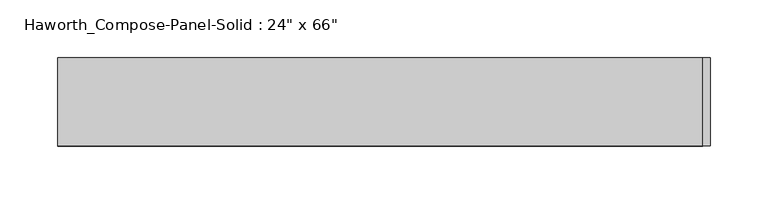
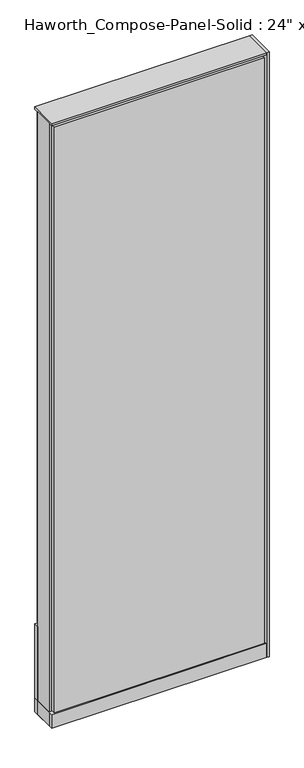
"""IFC4 building model written with IfcOpenShell, lengths in millimetres: furniture geometry."""

from ifc_helpers import new_model, si_unit, point, frame, frame_2d, origin, origin_with_axes, place, context, project, spatial, polyline, circle_curve, trimmed, segment, composite_curve, outline, extrude, source, transform, mapped, element, save


def furniture_7223b618(model_context):
    return source(origin(), model_context, "Body", "SweptSolid", [
        extrude(outline(composite_curve([segment(trimmed(circle_curve(frame_2d((-200.7597098, 0.0)), 12.7), [point((-213.4597098, 0.0))], [point((-188.0597098, 0.0))], False, "CARTESIAN"), True, "CONTINUOUS"), segment(trimmed(circle_curve(frame_2d((-200.7597098, 0.0)), 12.7), [point((-188.0597098, 0.0))], [point((-213.4597098, 0.0))], False, "CARTESIAN"), True, "CONTINUOUS")], self_intersect=False)), origin_with_axes(), (0.0, 0.0, 1.0), 12.7),
        extrude(outline(composite_curve([segment(trimmed(circle_curve(frame_2d((205.6402902, 0.0)), 12.7), [point((192.9402902, 0.0))], [point((218.3402902, 0.0))], False, "CARTESIAN"), True, "CONTINUOUS"), segment(trimmed(circle_curve(frame_2d((205.6402902, 0.0)), 12.7), [point((218.3402902, 0.0))], [point((192.9402902, 0.0))], False, "CARTESIAN"), True, "CONTINUOUS")], self_intersect=False)), origin_with_axes(), (0.0, 0.0, 1.0), 12.7),
        extrude(outline(polyline([(288.1902902, 38.1), (288.1902902, -38.1), (281.8402902, -38.1), (281.8402902, 38.1), (288.1902902, 38.1)])), frame((0.0, 0.0, 12.7), z_axis=(0.0, 0.0, 1.0), x_axis=(1.0, 0.0, 0.0)), (0.0, 0.0, 1.0), 1663.7),
        extrude(outline(polyline([(275.4902902, 38.1), (275.4902902, 25.4), (-270.6097098, 25.4), (-270.6097098, 38.1), (275.4902902, 38.1)])), frame((0.0, 0.0, 257.175), z_axis=(0.0, 0.0, 1.0), x_axis=(1.0, 0.0, 0.0)), (0.0, 0.0, 1.0), 1406.525),
        extrude(outline(polyline([(281.8402902, 38.1), (281.8402902, 25.4), (-276.9597098, 25.4), (-276.9597098, 38.1), (281.8402902, 38.1)])), frame((0.0, 0.0, 50.8), z_axis=(0.0, 0.0, 1.0), x_axis=(1.0, 0.0, 0.0)), (0.0, 0.0, 1.0), 203.2),
        extrude(outline(polyline([(275.4902902, -38.1), (-270.6097098, -38.1), (-270.6097098, -25.4), (275.4902902, -25.4), (275.4902902, -38.1)])), frame((0.0, 0.0, 53.975), z_axis=(0.0, 0.0, 1.0), x_axis=(1.0, 0.0, 0.0)), (0.0, 0.0, 1.0), 1609.725),
        extrude(outline(polyline([(281.8402902, 25.4), (281.8402902, -25.4), (-276.9597098, -25.4), (-276.9597098, 25.4), (281.8402902, 25.4)])), frame((0.0, 0.0, 12.7), z_axis=(0.0, 0.0, 1.0), x_axis=(1.0, 0.0, 0.0)), (0.0, 0.0, 1.0), 1657.35),
        extrude(outline(polyline([(-276.9597098, -38.1), (-276.9597098, 38.1), (281.8402902, 38.1), (281.8402902, -38.1), (-276.9597098, -38.1)])), frame((0.0, 0.0, 12.7), z_axis=(0.0, 0.0, 1.0), x_axis=(1.0, 0.0, 0.0)), (0.0, 0.0, 1.0), 38.1),
        extrude(outline(polyline([(-276.9597098, -38.1), (-276.9597098, 38.1), (281.8402902, 38.1), (281.8402902, -38.1), (-276.9597098, -38.1)])), frame((0.0, 0.0, 1670.05), z_axis=(0.0, 0.0, 1.0), x_axis=(1.0, 0.0, 0.0)), (0.0, 0.0, 1.0), 6.35),
    ])


if __name__ == "__main__":
    model = new_model("IFC4")
    model_context = context("Model", 3, world=origin())
    ifc_project = project(units=[si_unit("LENGTHUNIT", "METRE", prefix="MILLI")], contexts=[model_context])
    site = spatial("IfcSite", under=ifc_project)
    building = spatial("IfcBuilding", under=site)
    placement = place(None, origin())
    furniture_shape = furniture_7223b618(model_context)
    element("IfcFurniture", 1, ObjectType="Haworth_Compose-Panel-Solid : 24\" x 66\"", at=placement, inside=building, context=model_context, shape_type="MappedRepresentation", body=[
        mapped(furniture_shape, transform((0.0, 0.0, 0.0), x_axis=(1.0, 0.0, 0.0), y_axis=(0.0, 1.0, 0.0), z_axis=(0.0, 0.0, 1.0))),
    ])
    save(model, "model.ifc")
